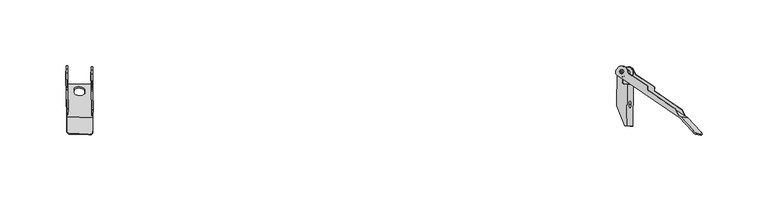
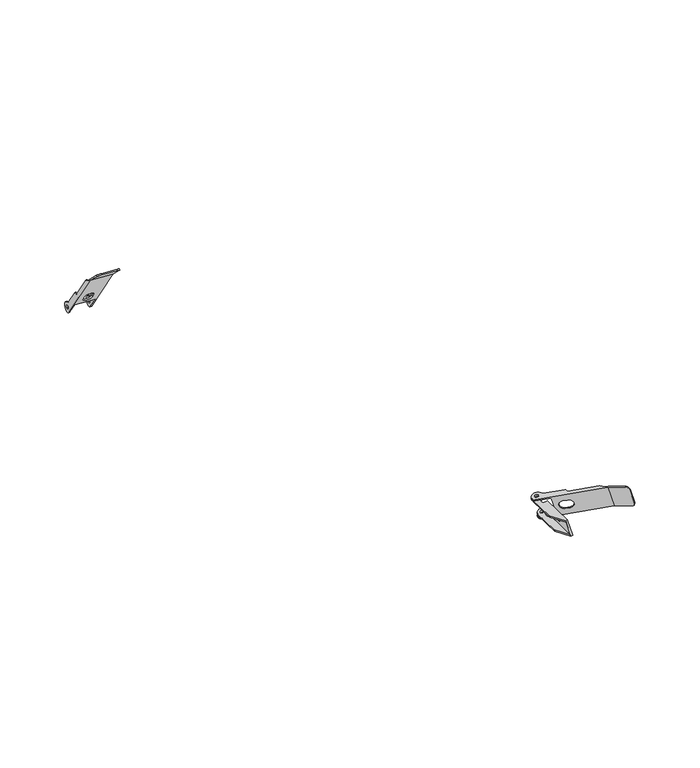
"""IFC4 building model written with IfcOpenShell, lengths in millimetres: proxy geometry."""

from ifc_helpers import new_model, si_unit, frame, origin, place, context, project, spatial, polyline, circle_curve, source, transform, mapped, element, save
from ifc_brep_helpers import plane_surface, cylinder_surface, revolved_surface, advanced_brep


def generic_models_2b121aef(model_context):
    return source(origin(), model_context, "Body", "AdvancedBrep", [
        advanced_brep(
        [(464.8241375, 27.9509873, 495.879707), (464.5925539, 41.8108396, 474.5191609), (464.6101731, 42.7324406, 474.0664298), (464.669011, 44.2528311, 474.1920108), (464.6866302, 45.1744321, 473.7392798), (464.5283787, 54.6454926, 459.1426579), (464.5916359, 57.8685775, 457.6073467), (464.3567489, 58.3591841, 450.2079173), (464.2959843, 57.3115193, 449.5287958), (464.1774329, 53.1642562, 450.4154491), (464.7140083, 21.051194, 499.9075022), (464.6810119, 10.6111072, 509.9183965), (464.7321109, 11.3260329, 510.6641413), (464.7650392, 21.7445421, 500.6739376), (464.7417046, 23.141073, 498.5216301), (464.8222734, 27.5720896, 496.2234941), (464.4090423, 55.2295213, 455.0312954), (464.3817588, 56.8623888, 452.5147503), (465.3805351, 56.8265521, 452.4806691), (465.4078186, 55.1936845, 454.9972142), (484.3845693, 54.5127854, 454.3496716), (483.3857929, 54.5486222, 454.3837528), (483.3585094, 56.1814898, 451.8672077), (484.3572858, 56.145653, 451.8331265), (465.8210497, 27.5362528, 496.1894129), (465.7404809, 23.1052362, 498.4875489), (465.3430494, 46.8907918, 461.8296938), (465.2944377, 46.0526599, 461.2863966), (465.1762092, 53.1284194, 450.3813679), (465.2947607, 57.2756825, 449.4947146), (465.3555253, 58.3233473, 450.1738361), (465.5904123, 57.8327407, 457.5732655), (465.5271551, 54.6096558, 459.1085767), (465.6854065, 45.1385953, 473.7051986), (465.6677873, 44.2169943, 474.1579296), (465.6089495, 42.6966038, 474.0323486), (465.5913303, 41.7750028, 474.4850797), (465.8229138, 27.9151505, 495.8456258), (484.7996645, 27.2342514, 495.1980832), (484.5680809, 41.0941037, 473.8375371), (483.5693046, 41.1299405, 473.8716183), (483.8008881, 27.2700882, 495.2321644), (483.799024, 26.8911905, 495.5759515), (484.7978004, 26.8553537, 495.5418703), (483.5869238, 42.0515415, 473.4188872), (483.6457616, 43.571932, 473.5444682), (483.6633808, 44.493533, 473.0917371), (483.5051294, 53.9645935, 458.4951153), (483.5683866, 57.1876784, 456.9598041), (483.3334996, 57.678285, 449.5603747), (483.272735, 56.6306202, 448.8812532), (483.1541835, 52.4833571, 449.7679065), (483.272412, 45.4075976, 460.6729351), (483.3210236, 46.2457295, 461.2162324), (483.7184552, 22.4601739, 497.8740875), (484.7172316, 22.4243371, 497.8400063), (484.7405661, 21.0278062, 499.9923138), (484.7076379, 10.609297, 509.9825174), (484.6565389, 9.8943713, 509.2367727), (484.6895353, 20.3344581, 499.2258784), (484.1529598, 52.4475203, 449.7338253), (484.2715113, 56.5947834, 448.847172), (484.3322759, 57.6424482, 449.5262935), (484.5671629, 57.1518416, 456.9257229), (484.5039057, 53.9287567, 458.4610341), (484.6621572, 44.4576962, 473.057656), (484.644538, 43.5360952, 473.510387), (484.5857001, 42.0157047, 473.384806), (470.3610754, 41.5191624, 467.8267775), (470.3974534, 39.3420057, 471.1821709), (478.3876642, 39.0553113, 470.9095214), (478.3512862, 41.2324681, 467.554128), (478.3998979, 42.0705999, 468.0974252), (478.4362759, 39.8934432, 471.4528186), (470.4460651, 40.1801375, 471.7254682), (470.4096871, 42.3572943, 468.3700747), (467.7215963, 9.0531657, 512.6382365), (481.7044651, 8.5514506, 512.1610999), (481.6533661, 7.8365249, 511.4153551), (467.6704972, 8.33824, 511.8924918)],
        [
            (0, 1),
            (1, 2, circle_curve(frame((464.6411656, 42.6489714, 475.0624581), z_axis=(0.9987763496739297, -0.03583679412656449, -0.034081190101736776), x_axis=(-0.0486116592563034, -0.8381318527622795, -0.5432972519437381)), 1.0)),
            (2, 3),
            (3, 4, circle_curve(frame((464.6380185, 44.3363003, 473.1959825), z_axis=(-0.9987763496739296, 0.035836794126564354, 0.03408119010173702), x_axis=(0.030992486270304563, -0.08346916705760438, 0.9960282947514567)), 1.0)),
            (4, 5),
            (5, 6),
            (6, 7, circle_curve(frame((464.3954005, 56.0459551, 453.7730229), z_axis=(-0.9987763496739296, 0.03583679412656428, 0.034081190101736915), x_axis=(0.00909449923687619, -0.5442891892845217, 0.8388483584722739)), 4.25)),
            (7, 8),
            (8, 9, circle_curve(frame((464.3232678, 55.6786517, 452.0453408), z_axis=(-0.9987763496739297, 0.03583679412656428, 0.034081190101736915), x_axis=(-0.00909449923687619, 0.5442891892845216, -0.8388483584722739)), 3.0)),
            (9, 10),
            (10, 11),
            (11, 12),
            (12, 13),
            (13, 14),
            (14, 15),
            (15, 0, circle_curve(frame((464.7755258, 27.1128554, 495.3364097), z_axis=(-0.9987763496739296, 0.0358367941265645, 0.03408119010173691), x_axis=(0.04674757290036013, 0.45923414199125345, 0.8870843631005355)), 1.0)),
            (16, 17, circle_curve(frame((464.3954005, 56.0459551, 453.7730229), z_axis=(0.9987763496739297, -0.03583679412656428, -0.034081190101736915), x_axis=(0.00909449923687619, -0.5442891892845216, 0.8388483584722739)), 1.5)),
            (17, 16, circle_curve(frame((464.3954005, 56.0459551, 453.7730229), z_axis=(0.9987763496739297, -0.03583679412656428, -0.034081190101736915), x_axis=(0.00909449923687619, -0.5442891892845216, 0.8388483584722739)), 1.5)),
            (17, 18),
            (18, 19, circle_curve(frame((465.3941769, 56.0101183, 453.7389417), z_axis=(0.9987763496739297, -0.03583679412656428, -0.034081190101736915), x_axis=(0.00909449923687619, -0.5442891892845216, 0.8388483584722739)), 1.5)),
            (19, 16),
            (20, 21),
            (21, 22, circle_curve(frame((483.3721512, 55.365056, 453.1254802), z_axis=(-0.9987763496739297, 0.03583679412656428, 0.034081190101736915), x_axis=(0.00909449923687619, -0.5442891892845216, 0.8388483584722739)), 1.5)),
            (22, 23),
            (23, 20, circle_curve(frame((484.3709275, 55.3292192, 453.0913991), z_axis=(0.9987763496739297, -0.03583679412656428, -0.034081190101736915), x_axis=(0.00909449923687619, -0.5442891892845216, 0.8388483584722739)), 1.5)),
            (19, 18, circle_curve(frame((465.3941769, 56.0101183, 453.7389417), z_axis=(0.9987763496739297, -0.03583679412656428, -0.034081190101736915), x_axis=(0.00909449923687619, -0.5442891892845216, 0.8388483584722739)), 1.5)),
            (22, 21, circle_curve(frame((483.3721512, 55.365056, 453.1254802), z_axis=(-0.9987763496739297, 0.03583679412656428, 0.034081190101736915), x_axis=(0.00909449923687619, -0.5442891892845216, 0.8388483584722739)), 1.5)),
            (20, 23, circle_curve(frame((484.3709275, 55.3292192, 453.0913991), z_axis=(0.9987763496739297, -0.03583679412656428, -0.034081190101736915), x_axis=(0.00909449923687619, -0.5442891892845216, 0.8388483584722739)), 1.5)),
            (24, 25),
            (25, 26),
            (26, 27),
            (27, 28),
            (28, 29, circle_curve(frame((465.3220442, 55.6428149, 452.0112597), z_axis=(0.9987763496739297, -0.03583679412656428, -0.034081190101736915), x_axis=(-0.00909449923687619, 0.5442891892845216, -0.8388483584722739)), 3.0)),
            (29, 30),
            (30, 31, circle_curve(frame((465.3941769, 56.0101183, 453.7389417), z_axis=(0.9987763496739296, -0.03583679412656428, -0.034081190101736915), x_axis=(0.00909449923687619, -0.5442891892845217, 0.8388483584722739)), 4.25)),
            (31, 32),
            (32, 33),
            (33, 34, circle_curve(frame((465.6367949, 44.3004635, 473.1619013), z_axis=(0.9987763496739296, -0.035836794126564354, -0.03408119010173702), x_axis=(0.030992486270304563, -0.08346916705760438, 0.9960282947514567)), 1.0)),
            (34, 35),
            (35, 36, circle_curve(frame((465.639942, 42.6131346, 475.0283769), z_axis=(-0.9987763496739297, 0.03583679412656449, 0.034081190101736776), x_axis=(-0.0486116592563034, -0.8381318527622795, -0.5432972519437381)), 1.0)),
            (36, 37),
            (37, 24, circle_curve(frame((465.7743022, 27.0770186, 495.3023286), z_axis=(0.9987763496739296, -0.0358367941265645, -0.03408119010173691), x_axis=(0.04674757290036013, 0.45923414199125345, 0.8870843631005355)), 1.0)),
            (15, 24),
            (37, 0),
            (38, 39),
            (39, 40),
            (40, 41),
            (41, 38),
            (36, 1),
            (42, 43),
            (43, 38, circle_curve(frame((484.7510528, 26.3961196, 494.6547859), z_axis=(-0.9987763496739296, 0.0358367941265645, 0.03408119010173691), x_axis=(0.04674757290036013, 0.45923414199125345, 0.8870843631005355)), 1.0)),
            (41, 42, circle_curve(frame((483.7522765, 26.4319563, 494.6888671), z_axis=(0.9987763496739296, -0.0358367941265645, -0.03408119010173691), x_axis=(0.04674757290036013, 0.45923414199125345, 0.8870843631005355)), 1.0)),
            (40, 44, circle_curve(frame((483.6179163, 41.9680723, 474.4149155), z_axis=(0.9987763496739297, -0.03583679412656449, -0.034081190101736776), x_axis=(-0.0486116592563034, -0.8381318527622795, -0.5432972519437381)), 1.0)),
            (44, 45),
            (45, 46, circle_curve(frame((483.6147691, 43.6554012, 472.5484399), z_axis=(-0.9987763496739296, 0.035836794126564354, 0.03408119010173702), x_axis=(0.030992486270304563, -0.08346916705760438, 0.9960282947514567)), 1.0)),
            (46, 47),
            (47, 48),
            (48, 49, circle_curve(frame((483.3721512, 55.365056, 453.1254802), z_axis=(-0.9987763496739296, 0.03583679412656428, 0.034081190101736915), x_axis=(0.00909449923687619, -0.5442891892845217, 0.8388483584722739)), 4.25)),
            (49, 50),
            (50, 51, circle_curve(frame((483.3000185, 54.9977526, 451.3977982), z_axis=(-0.9987763496739297, 0.03583679412656428, 0.034081190101736915), x_axis=(-0.00909449923687619, 0.5442891892845216, -0.8388483584722739)), 3.0)),
            (51, 52),
            (52, 53),
            (53, 54),
            (54, 42),
            (54, 55),
            (55, 43),
            (14, 25),
            (55, 56),
            (56, 57),
            (57, 58),
            (58, 59),
            (59, 60),
            (60, 61, circle_curve(frame((484.2987948, 54.9619159, 451.363717), z_axis=(0.9987763496739297, -0.03583679412656428, -0.034081190101736915), x_axis=(-0.00909449923687619, 0.5442891892845216, -0.8388483584722739)), 3.0)),
            (61, 62),
            (62, 63, circle_curve(frame((484.3709275, 55.3292192, 453.0913991), z_axis=(0.9987763496739296, -0.03583679412656428, -0.034081190101736915), x_axis=(0.00909449923687619, -0.5442891892845217, 0.8388483584722739)), 4.25)),
            (63, 64),
            (64, 65),
            (65, 66, circle_curve(frame((484.6135455, 43.6195644, 472.5143587), z_axis=(0.9987763496739296, -0.035836794126564354, -0.03408119010173702), x_axis=(0.030992486270304563, -0.08346916705760438, 0.9960282947514567)), 1.0)),
            (66, 67),
            (67, 39, circle_curve(frame((484.6166926, 41.9322355, 474.3808343), z_axis=(-0.9987763496739297, 0.03583679412656449, 0.034081190101736776), x_axis=(-0.0486116592563034, -0.8381318527622795, -0.5432972519437381)), 1.0)),
            (67, 44),
            (66, 45),
            (2, 35),
            (34, 3),
            (65, 46),
            (64, 47),
            (32, 5),
            (4, 33),
            (31, 6),
            (63, 48),
            (30, 7),
            (62, 49),
            (61, 50),
            (29, 8),
            (60, 51),
            (59, 10),
            (9, 28),
            (27, 52),
            (68, 69),
            (69, 70, circle_curve(frame((474.3925588, 39.1986585, 471.0458461), z_axis=(0.04861165925630344, 0.8381318527622776, 0.543297251943741), x_axis=(0.009094499236876191, -0.5442891892845217, 0.8388483584722739)), 4.0)),
            (70, 71),
            (71, 68, circle_curve(frame((474.3561808, 41.3758153, 467.6904527), z_axis=(0.04861165925630343, 0.8381318527622774, 0.5432972519437412), x_axis=(-0.009094499236882062, 0.5442891892845222, -0.8388483584722735)), 4.0)),
            (26, 53),
            (13, 56),
            (72, 73),
            (73, 74, circle_curve(frame((474.4411705, 40.0367904, 471.5891434), z_axis=(-0.04861165925630344, -0.8381318527622776, -0.543297251943741), x_axis=(0.009094499236876191, -0.5442891892845217, 0.8388483584722739)), 4.0)),
            (74, 75),
            (75, 72, circle_curve(frame((474.4047925, 42.2139471, 468.23375), z_axis=(-0.04861165925630343, -0.8381318527622774, -0.5432972519437412), x_axis=(-0.009094499236882062, 0.5442891892845222, -0.8388483584722735)), 4.0)),
            (12, 76, circle_curve(frame((467.72844, 11.2185225, 510.5618977), z_axis=(0.04940242174704902, 0.6911883015382874, 0.7209841416717461), x_axis=(-0.9987763496739296, 0.03583679412656441, 0.034081190101736714)), 3.0)),
            (76, 77),
            (77, 57, circle_curve(frame((481.7113089, 10.7168074, 510.084761), z_axis=(0.04940242174704902, 0.6911883015382874, 0.7209841416717461), x_axis=(0.9987763496739296, -0.03583679412656441, -0.034081190101736714)), 3.0)),
            (77, 78),
            (78, 58, circle_curve(frame((481.6602098, 10.0018817, 509.3390162), z_axis=(0.04940242174704902, 0.6911883015382874, 0.7209841416717461), x_axis=(0.9987763496739296, -0.03583679412656441, -0.034081190101736714)), 3.0)),
            (78, 79),
            (79, 11, circle_curve(frame((467.6773409, 10.5035968, 509.8161529), z_axis=(-0.04940242174704902, -0.6911883015382874, -0.7209841416717461), x_axis=(-0.9987763496739296, 0.03583679412656441, 0.034081190101736714)), 3.0)),
            (79, 76),
            (75, 68),
            (71, 72),
            (70, 73),
            (69, 74),
        ],
        [
            plane_surface(frame((464.5730436, 29.4876764, 486.9053527), z_axis=(-0.9987763496739296, 0.03583679412656428, 0.034081190101736915), x_axis=(0.009094499236876191, -0.5442891892845217, 0.8388483584722739))),
            revolved_surface(polyline([(464.4090422488553, 55.22952131607322, 455.0312954377084), (465.40781864927936, 55.1936845201257, 454.99721424587494)]), (464.3954005, 56.0459551, 453.7730229), (-0.9987763496739295, 0.03583679412656427, 0.03408119010173691)),
            revolved_surface(polyline([(483.3857928992522, 54.54862222743196, 454.38375282555046), (484.38456930227386, 54.512785431391244, 454.34967163362836)]), (464.3954005, 56.0459551, 453.7730229), (-0.9987763496739295, 0.03583679412656427, 0.03408119010173691)),
            plane_surface(frame((465.5292445, 69.3810504, 443.6375038), z_axis=(0.9987763496739295, -0.03583679412656449, -0.03408119010173678), x_axis=(-0.04861165925630343, -0.8381318527622776, -0.543297251943741))),
            cylinder_surface(frame((510.7911498, 25.4617827, 493.7662212), z_axis=(-0.9987763496739296, 0.0358367941265645, 0.03408119010173691), x_axis=(0.04674757290036013, 0.45923414199125345, 0.8870843631005355)), 1.0),
            plane_surface(frame((464.587112, 42.1365324, 474.0172091), z_axis=(0.04861165925630345, 0.8381318527622778, 0.543297251943741), x_axis=(0.009094499236876191, -0.5442891892845217, 0.8388483584722739))),
            plane_surface(frame((483.0709249, 61.2136822, 438.1479025), z_axis=(-0.9987763496739295, 0.03583679412656449, 0.03408119010173678), x_axis=(0.04861165925630343, 0.8381318527622776, 0.543297251943741))),
            plane_surface(frame((464.826544, 27.80696, 496.1016791), z_axis=(0.04674757290036013, 0.45923414199125284, 0.8870843631005361), x_axis=(-0.01613901359891643, -0.8875920949491879, 0.46034748312960927))),
            plane_surface(frame((484.5485706, 28.7709406, 486.2237289), z_axis=(0.9987763496739296, -0.03583679412656428, -0.034081190101736915), x_axis=(0.009094499236876191, -0.5442891892845217, 0.8388483584722739))),
            revolved_surface(polyline([(484.5680809417797, 41.094103667561974, 473.83753705704555), (483.56930459681035, 41.12994046151974, 473.87161824698677)]), (438.6010686, 43.5833083, 475.9510229), (0.9987763496739297, -0.03583679412656449, -0.034081190101736776)),
            plane_surface(frame((464.6920721, 44.8487393, 474.2412315), z_axis=(0.030992486270304563, -0.08346916705760361, 0.9960282947514569), x_axis=(-0.03853918949336476, -0.9958657652201125, -0.08225635863417746))),
            cylinder_surface(frame((510.6536425, 42.6852275, 471.6257939), z_axis=(-0.9987763496739296, 0.035836794126564354, 0.03408119010173702), x_axis=(0.030992486270304563, -0.08346916705760438, 0.9960282947514567)), 1.0),
            plane_surface(frame((464.5283787, 54.6454926, 459.1426579), z_axis=(0.04861165925630345, 0.8381318527622778, 0.543297251943741), x_axis=(0.009094499236876191, -0.5442891892845217, 0.8388483584722739))),
            plane_surface(frame((464.5916359, 57.8685775, 457.6073467), z_axis=(0.04617303239239315, 0.42885234107541875, 0.9021938376168527), x_axis=(-0.017715936659163902, -0.9026634997278128, 0.4299822692244711))),
            cylinder_surface(frame((464.3954005, 56.0459551, 453.7730229), z_axis=(0.9987763496739296, -0.03583679412656428, -0.034081190101736915), x_axis=(0.00909449923687619, -0.5442891892845217, 0.8388483584722739)), 4.25),
            plane_surface(frame((464.1501494, 54.7971237, 447.898904), z_axis=(-0.009094499236876195, 0.5442891892845219, -0.8388483584722739), x_axis=(0.04861165925630343, 0.8381318527622776, 0.543297251943741))),
            cylinder_surface(frame((510.3388918, 54.027579, 450.4751523), z_axis=(-0.9987763496739295, 0.03583679412656427, 0.03408119010173691), x_axis=(-0.00909449923687619, 0.5442891892845216, -0.8388483584722739)), 3.0),
            plane_surface(frame((464.7140083, 21.051194, 499.9075022), z_axis=(-0.04861165925630345, -0.8381318527622778, -0.543297251943741), x_axis=(-0.009094499236876191, 0.5442891892845217, -0.8388483584722739))),
            plane_surface(frame((483.272412, 45.4075976, 460.6729351), z_axis=(-0.009094499236875955, 0.5442891892845219, -0.838848358472274), x_axis=(-0.9987763496739296, 0.0358367941265644, 0.03408119010173672))),
            plane_surface(frame((464.326084, 48.0152069, 460.1860783), z_axis=(0.04861165925630345, 0.8381318527622778, 0.543297251943741), x_axis=(0.009094499236876191, -0.5442891892845217, 0.8388483584722739))),
            plane_surface(frame((464.7650392, 21.7445421, 500.6739376), z_axis=(0.04940242174704918, 0.691188301538285, 0.7209841416717482), x_axis=(-0.00228124035278517, -0.7217856025187472, 0.6921129531652342))),
            cylinder_surface(frame((482.2098938, 17.692499, 517.3611617), z_axis=(-0.04940242174704902, -0.6911883015382874, -0.7209841416717461), x_axis=(0.9987763496739296, -0.03583679412656441, -0.034081190101736714)), 3.0),
            plane_surface(frame((464.6741682, 8.4457504, 511.9947353), z_axis=(-0.049402421747049174, -0.6911883015382848, -0.7209841416717484), x_axis=(0.002281240352785183, 0.7217856025187475, -0.692112953165234))),
            cylinder_surface(frame((467.3116701, 5.3875033, 504.4795141), z_axis=(0.04940242174704902, 0.6911883015382874, 0.7209841416717461), x_axis=(-0.9987763496739296, 0.03583679412656441, 0.034081190101736714)), 3.0),
            plane_surface(frame((464.7252672, 9.1606761, 512.7404801), z_axis=(-0.0022812403527850272, -0.7217856025187452, 0.6921129531652365), x_axis=(-0.04940242174704919, -0.6911883015382871, -0.7209841416717462))),
            revolved_surface(polyline([(474.319802800978, 43.55297202137086, 464.3350592429257), (474.3684144615246, 44.39110389637938, 464.87835650929)]), (474.3561808, 41.3758153, 467.6904527), (-0.04861165925630343, -0.8381318527622774, -0.5432972519437412)),
            plane_surface(frame((478.3512862, 41.2324681, 467.554128), z_axis=(-0.9987763496739296, 0.03583679412656428, 0.034081190101736915), x_axis=(0.009094499236876191, -0.5442891892845217, 0.8388483584722739))),
            revolved_surface(polyline([(474.42893679694754, 37.021501742861915, 474.4012395338891), (474.4775484594939, 37.85963365234971, 474.9445368226037)]), (474.3925588, 39.1986585, 471.0458461), (-0.04861165925630344, -0.8381318527622776, -0.543297251943741)),
            plane_surface(frame((470.3974534, 39.3420057, 471.1821709), z_axis=(0.9987763496739296, -0.03583679412656428, -0.034081190101736915), x_axis=(-0.009094499236876191, 0.5442891892845217, -0.8388483584722739))),
            revolved_surface(polyline([(465.5913303416637, 41.77500275439912, 474.48507966748775), (464.5925538969389, 41.810839551936176, 474.5191608608329)]), (438.6010686, 43.5833083, 475.9510229), (0.9987763496739297, -0.03583679412656449, -0.034081190101736776)),
        ],
        [
            (0, [[1, 2, 3, 4, 5, 6, 7, 8, 9, 10, 11, 12, 13, 14, 15, 16], [17, 18]]),
            (1, [[19, 20, 21, -18]]),
            (2, [[22, 23, 24, 25]]),
            (1, [[-21, 26, -19, -17]]),
            (2, [[-24, 27, -22, 28]]),
            (3, [[29, 30, 31, 32, 33, 34, 35, 36, 37, 38, 39, 40, 41, 42], [-26, -20]]),
            (4, [[43, -42, 44, -16]]),
            (5, [[45, 46, 47, 48]]),
            (5, [[-41, 49, -1, -44]]),
            (4, [[50, 51, -48, 52]]),
            (6, [[-47, 53, 54, 55, 56, 57, 58, 59, 60, 61, 62, 63, 64, -52], [-27, -23]]),
            (7, [[-64, 65, 66, -50]]),
            (7, [[-15, 67, -29, -43]]),
            (8, [[-66, 68, 69, 70, 71, 72, 73, 74, 75, 76, 77, 78, 79, 80, -45, -51], [-28, -25]]),
            (9, [[-80, 81, -53, -46]]),
            (10, [[-54, -81, -79, 82]]),
            (10, [[-3, 83, -39, 84]]),
            (11, [[-82, -78, 85, -55]]),
            (12, [[-77, 86, -56, -85]]),
            (12, [[-37, 87, -5, 88]]),
            (13, [[89, -6, -87, -36]]),
            (13, [[-86, -76, 90, -57]]),
            (14, [[91, -7, -89, -35]]),
            (14, [[-90, -75, 92, -58]]),
            (15, [[-59, -92, -74, 93]]),
            (15, [[-8, -91, -34, 94]]),
            (16, [[-93, -73, 95, -60]]),
            (17, [[-72, 96, -10, 97, -32, 98, -61, -95], [99, 100, 101, 102]]),
            (18, [[-62, -98, -31, 103]]),
            (19, [[-30, -67, -14, 104, -68, -65, -63, -103], [105, 106, 107, 108]]),
            (20, [[-69, -104, -13, 109, 110, 111]]),
            (21, [[-70, -111, 112, 113]]),
            (22, [[114, 115, -11, -96, -71, -113]]),
            (23, [[-12, -115, 116, -109]]),
            (24, [[-110, -116, -114, -112]]),
            (25, [[117, -102, 118, -108]]),
            (26, [[-118, -101, 119, -105]]),
            (27, [[-119, -100, 120, -106]]),
            (28, [[-120, -99, -117, -107]]),
            (16, [[-94, -33, -97, -9]]),
            (11, [[-84, -38, -88, -4]]),
            (29, [[-40, -83, -2, -49]]),
        ],
    ),
        advanced_brep(
        [(888.4928597, 15.0870928, 126.9523971), (889.9344223, 15.0870928, 127.367002), (890.2456743, 46.4893429, 126.2847927), (888.3235908, 46.4893429, 125.7319862), (886.4213182, 48.4880583, 125.1102983), (886.4559871, 51.9858101, 124.9897561), (882.6514418, 55.9832407, 123.7463803), (882.3942072, 30.030818, 124.6407733), (885.0540461, 55.9832407, 124.4373885), (887.9371713, 55.9832407, 125.2665983), (888.3515099, 55.9294855, 123.8259617), (885.4683847, 55.9294855, 122.9967519), (889.6117706, 55.3919336, 108.5903855), (889.197432, 55.4456888, 110.0310222), (892.0805573, 55.4456888, 110.860232), (892.4948959, 55.3919336, 109.4195954), (882.8085458, 29.9770628, 123.2001366), (883.0657804, 55.9294855, 122.3057437), (886.8703257, 51.9320549, 123.5491194), (886.8356568, 48.4343031, 123.6696617), (888.7379294, 46.4355878, 124.2913496), (889.2184503, 46.4355878, 124.4295512), (888.9071983, 15.0333376, 125.5117604), (893.0505842, 14.4957857, 111.1053941), (892.6362456, 14.5495409, 112.5460307), (886.5375931, 29.4932661, 110.2344069), (886.9519317, 29.4395109, 108.7937703), (894.4921468, 14.4957857, 111.519999), (892.9474976, 45.951791, 111.4638215), (890.2438285, 31.2929165, 120.8643572), (891.6249572, 31.1137326, 116.0622351), (892.4669768, 45.951791, 111.3256199), (890.5647041, 47.9505063, 110.703932), (890.599373, 51.4482581, 110.5833897), (886.7948277, 55.4456888, 109.340014), (887.2091663, 55.3919336, 107.8993774), (891.0137116, 51.394503, 109.1427531), (890.9790427, 47.8967512, 109.2632954), (892.8813154, 45.8980358, 109.8849832), (894.8033988, 45.8980358, 110.4377898), (893.0665198, 31.1137326, 116.47684), (891.6853912, 31.2929165, 121.2789621)],
        [
            (0, 1),
            (1, 2),
            (2, 3),
            (3, 4, circle_curve(frame((888.3434017, 48.4880583, 125.6631049), z_axis=(0.27622572769966836, -0.03583679412656441, -0.9604244226088376), x_axis=(-0.961041742207202, 0.0, -0.2764032737420922)), 2.0)),
            (4, 5),
            (5, 6, circle_curve(frame((886.4956087, 55.9832407, 124.8519934), z_axis=(-0.27622572769966836, 0.03583679412656441, 0.9604244226088376), x_axis=(0.961041742207202, 0.0, 0.2764032737420922)), 4.0)),
            (6, 7),
            (7, 0),
            (8, 9, circle_curve(frame((886.4956087, 55.9832407, 124.8519934), z_axis=(0.27622572769966836, -0.03583679412656441, -0.9604244226088376), x_axis=(0.9610417422072018, 0.0, 0.2764032737420922)), 1.5)),
            (9, 8, circle_curve(frame((886.4956087, 55.9832407, 124.8519934), z_axis=(0.27622572769966836, -0.03583679412656441, -0.9604244226088376), x_axis=(0.9610417422072018, 0.0, 0.2764032737420922)), 1.5)),
            (9, 10),
            (10, 11, circle_curve(frame((886.9099473, 55.9294855, 123.4113568), z_axis=(0.27622572769966836, -0.03583679412656441, -0.9604244226088376), x_axis=(0.9610417422072018, 0.0, 0.2764032737420922)), 1.5)),
            (11, 8),
            (12, 13),
            (13, 14, circle_curve(frame((890.6389946, 55.4456888, 110.4456271), z_axis=(-0.27622572769966836, 0.03583679412656441, 0.9604244226088376), x_axis=(0.9610417422072018, 0.0, 0.2764032737420922)), 1.5)),
            (14, 15),
            (15, 12, circle_curve(frame((891.0533332, 55.3919336, 109.0049905), z_axis=(0.27622572769966836, -0.03583679412656441, -0.9604244226088376), x_axis=(0.9610417422072018, 0.0, 0.2764032737420922)), 1.5)),
            (11, 10, circle_curve(frame((886.9099473, 55.9294855, 123.4113568), z_axis=(0.27622572769966836, -0.03583679412656441, -0.9604244226088376), x_axis=(0.9610417422072018, 0.0, 0.2764032737420922)), 1.5)),
            (14, 13, circle_curve(frame((890.6389946, 55.4456888, 110.4456271), z_axis=(-0.27622572769966836, 0.03583679412656441, 0.9604244226088376), x_axis=(0.9610417422072018, 0.0, 0.2764032737420922)), 1.5)),
            (12, 15, circle_curve(frame((891.0533332, 55.3919336, 109.0049905), z_axis=(0.27622572769966836, -0.03583679412656441, -0.9604244226088376), x_axis=(0.9610417422072018, 0.0, 0.2764032737420922)), 1.5)),
            (16, 17),
            (17, 18, circle_curve(frame((886.9099473, 55.9294855, 123.4113568), z_axis=(0.27622572769966836, -0.03583679412656441, -0.9604244226088376), x_axis=(0.961041742207202, 0.0, 0.2764032737420922)), 4.0)),
            (18, 19),
            (19, 20, circle_curve(frame((888.7577403, 48.4343031, 124.2224683), z_axis=(-0.27622572769966836, 0.03583679412656441, 0.9604244226088376), x_axis=(-0.961041742207202, 0.0, -0.2764032737420922)), 2.0)),
            (20, 21),
            (21, 22),
            (22, 16),
            (7, 16),
            (22, 0),
            (23, 24),
            (24, 25),
            (25, 26),
            (26, 23),
            (23, 27),
            (27, 1),
            (22, 24),
            (21, 28),
            (28, 24),
            (29, 30, circle_curve(frame((890.9343929, 31.2033246, 118.4632962), z_axis=(0.961041742207202, 0.0, 0.2764032737420926), x_axis=(0.2762257276996687, -0.03583679412656441, -0.9604244226088375)), 2.5)),
            (30, 29, circle_curve(frame((890.9343929, 31.2033246, 118.4632962), z_axis=(0.961041742207202, 0.0, 0.2764032737420926), x_axis=(0.2762257276996687, -0.03583679412656441, -0.9604244226088375)), 2.5)),
            (28, 31),
            (31, 32, circle_curve(frame((892.4867876, 47.9505063, 111.2567386), z_axis=(0.27622572769966836, -0.03583679412656441, -0.9604244226088376), x_axis=(-0.961041742207202, 0.0, -0.2764032737420922)), 2.0)),
            (32, 33),
            (33, 34, circle_curve(frame((890.6389946, 55.4456888, 110.4456271), z_axis=(-0.27622572769966836, 0.03583679412656441, 0.9604244226088376), x_axis=(0.961041742207202, 0.0, 0.2764032737420922)), 4.0)),
            (34, 25),
            (34, 35),
            (35, 26),
            (35, 36, circle_curve(frame((891.0533332, 55.3919336, 109.0049905), z_axis=(0.27622572769966836, -0.03583679412656441, -0.9604244226088376), x_axis=(0.961041742207202, 0.0, 0.2764032737420922)), 4.0)),
            (36, 37),
            (37, 38, circle_curve(frame((892.9011262, 47.8967512, 109.8161019), z_axis=(-0.27622572769966836, 0.03583679412656441, 0.9604244226088376), x_axis=(-0.961041742207202, 0.0, -0.2764032737420922)), 2.0)),
            (38, 39),
            (39, 27),
            (39, 2),
            (40, 41, circle_curve(frame((892.3759555, 31.2033246, 118.8779011), z_axis=(-0.961041742207202, 0.0, -0.2764032737420926), x_axis=(0.2762257276996687, -0.03583679412656441, -0.9604244226088375)), 2.5)),
            (41, 40, circle_curve(frame((892.3759555, 31.2033246, 118.8779011), z_axis=(-0.961041742207202, 0.0, -0.2764032737420926), x_axis=(0.2762257276996687, -0.03583679412656441, -0.9604244226088375)), 2.5)),
            (38, 31),
            (20, 3),
            (19, 4),
            (18, 5),
            (36, 33),
            (32, 37),
            (17, 6),
            (30, 40),
            (41, 29),
        ],
        [
            plane_surface(frame((892.5492246, 36.4957664, 127.3202075), z_axis=(-0.2762257276996683, 0.03583679412656441, 0.9604244226088375), x_axis=(0.961041742207202, 0.0, 0.2764032737420922))),
            revolved_surface(polyline([(888.3515099112974, 55.92948551014939, 123.82596170287052), (887.9371713244129, 55.98324070073401, 125.26659832056365)]), (891.0533332, 55.3919336, 109.0049905), (0.27622572769966824, -0.035836794126564396, -0.9604244226088372)),
            revolved_surface(polyline([(892.4948958380402, 55.391933596791674, 109.41959532463007), (892.0805572282263, 55.44568879035109, 110.86023202204781)]), (891.0533332, 55.3919336, 109.0049905), (0.27622572769966824, -0.035836794126564396, -0.9604244226088372)),
            plane_surface(frame((892.9635632, 36.4420112, 125.8795709), z_axis=(0.2762257276996683, -0.03583679412656441, -0.9604244226088375), x_axis=(0.961041742207202, 0.0, 0.2764032737420922))),
            plane_surface(frame((886.9519317, 29.4395109, 108.7937703), z_axis=(-0.8853226142009569, -0.39839535087401956, -0.23976032446247422), x_axis=(0.37403638344574547, -0.9165134306646561, 0.1417741699680522))),
            plane_surface(frame((905.8168422, 13.3382573, 81.1892983), z_axis=(-0.009905407217004265, -0.9993576557903233, 0.03444065506251414), x_axis=(-0.2762257276996687, 0.0358367941265644, 0.9604244226088375))),
            plane_surface(frame((888.7050576, 36.4957664, 126.2145944), z_axis=(-0.9610417422072021, 0.0, -0.2764032737420922), x_axis=(0.00990540721700426, 0.9993576557903233, -0.03444065506251412))),
            plane_surface(frame((896.6926105, 35.9582145, 112.9138411), z_axis=(-0.2762257276996683, 0.03583679412656441, 0.9604244226088375), x_axis=(0.961041742207202, 0.0, 0.2764032737420922))),
            plane_surface(frame((887.0903014, 43.3996417, 108.3126652), z_axis=(-0.9610417422072021, 0.0, -0.2764032737420922), x_axis=(0.00990540721700426, 0.9993576557903233, -0.03444065506251412))),
            plane_surface(frame((897.1069491, 35.9044593, 111.4732045), z_axis=(0.2762257276996683, -0.03583679412656441, -0.9604244226088375), x_axis=(0.961041742207202, 0.0, 0.2764032737420922))),
            plane_surface(frame((890.3793973, 59.9806713, 125.8198439), z_axis=(0.9610417422072021, 0.0, 0.2764032737420922), x_axis=(-0.00990540721700426, -0.9993576557903233, 0.03444065506251412))),
            plane_surface(frame((890.6600129, 46.4355878, 124.8441561), z_axis=(0.009905407217004265, 0.9993576557903233, -0.03444065506251414), x_axis=(0.2762257276996687, -0.0358367941265644, -0.9604244226088375))),
            revolved_surface(polyline([(886.4213181715097, 48.48805822589381, 125.11029835378957), (886.8356567705046, 48.434303033738026, 123.66966169398933)]), (910.5502928, 45.606995, 48.4507439), (-0.2762257276996683, 0.0358367941265644, 0.9604244226088374)),
            plane_surface(frame((890.9592319, 45.8980358, 109.3321767), z_axis=(0.9610417422072021, 0.0, 0.2764032737420922), x_axis=(0.00990540721700426, 0.9993576557903233, -0.03444065506251412))),
            cylinder_surface(frame((908.7024999, 53.1021774, 47.6396324), z_axis=(-0.2762257276996683, 0.0358367941265644, 0.9604244226088374), x_axis=(0.961041742207202, 0.0, 0.2764032737420922)), 4.0),
            plane_surface(frame((882.5325769, 43.9909488, 124.1596682), z_axis=(-0.9610417422072021, 0.0, -0.2764032737420922), x_axis=(0.00990540721700426, 0.9993576557903233, -0.03444065506251412))),
            revolved_surface(polyline([(890.5647040792803, 47.95050631499749, 110.70393204151452), (890.979042692767, 47.89675112096157, 109.26329533132662)]), (910.5502928, 45.606995, 48.4507439), (-0.2762257276996683, 0.0358367941265644, 0.9604244226088374)),
            revolved_surface(polyline([(893.0665198227708, 31.113732614683588, 116.47684004163942), (891.624957132213, 31.113732614683588, 116.0622351088094)]), (889.9733511, 31.2033246, 118.1868929), (0.9610417422072022, 0.0, 0.27640327374209267)),
        ],
        [
            (0, [[1, 2, 3, 4, 5, 6, 7, 8], [9, 10]]),
            (1, [[11, 12, 13, -10]]),
            (2, [[14, 15, 16, 17]]),
            (1, [[-13, 18, -11, -9]]),
            (2, [[-16, 19, -14, 20]]),
            (3, [[21, 22, 23, 24, 25, 26, 27], [-18, -12]]),
            (4, [[28, -27, 29, -8]]),
            (4, [[30, 31, 32, 33]]),
            (5, [[34, 35, -1, -29, 36, -30]]),
            (6, [[-26, 37, 38, -36], [39, 40]]),
            (7, [[-38, 41, 42, 43, 44, 45, -31], [-19, -15]]),
            (8, [[-45, 46, 47, -32]]),
            (9, [[-47, 48, 49, 50, 51, 52, -34, -33], [-20, -17]]),
            (10, [[53, -2, -35, -52], [54, 55]]),
            (11, [[-53, -51, 56, -41, -37, -25, 57, -3]]),
            (12, [[-4, -57, -24, 58]]),
            (13, [[-58, -23, 59, -5]]),
            (13, [[60, -43, 61, -49]]),
            (14, [[-59, -22, 62, -6]]),
            (14, [[-46, -44, -60, -48]]),
            (15, [[-7, -62, -21, -28]]),
            (16, [[-42, -56, -50, -61]]),
            (17, [[63, -55, 64, -40]]),
            (17, [[-64, -54, -63, -39]]),
        ],
    ),
        advanced_brep(
        [(926.190537, 27.9509873, 139.1366641), (905.8038872, 41.8108396, 132.7561413), (905.378759, 42.7324406, 132.5994829), (905.5163755, 44.2528311, 132.5823314), (905.0912473, 45.1744321, 132.425673), (891.1601326, 54.6454926, 128.0655749), (889.7195124, 57.8685775, 127.5309764), (882.6096529, 58.3591841, 125.4678179), (881.9449926, 57.3115193, 125.3157483), (882.7516156, 53.1642562, 125.7024884), (929.9871662, 21.051194, 140.4860603), (939.4978959, 10.6111072, 143.6109782), (940.2229318, 11.3260329, 143.792828), (930.7318589, 21.7445421, 140.6743687), (928.677682, 23.141073, 140.0314615), (926.516922, 27.5720896, 139.244673), (887.2131175, 55.2295213, 126.9085897), (884.8113099, 56.8623888, 126.1568826), (885.0875356, 56.8265521, 125.1964582), (887.4893433, 55.1936845, 125.9481653), (892.7376321, 54.5127854, 107.7001012), (892.4614064, 54.5486222, 108.6605257), (890.0595987, 56.1814898, 107.9088186), (890.3358244, 56.145653, 106.9483942), (926.7931477, 27.5362528, 138.2842486), (928.9539078, 23.1052362, 139.0710371), (893.9674027, 46.8907918, 128.1211168), (893.4356745, 46.0526599, 127.9994612), (883.0278413, 53.1284194, 124.742064), (882.2212183, 57.2756825, 124.3553239), (882.8858786, 58.3233473, 124.5073934), (889.9957382, 57.8327407, 126.570552), (891.4363583, 54.6096558, 127.1051505), (905.3674731, 45.1385953, 131.4652486), (905.7926013, 44.2169943, 131.621907), (905.6549848, 42.6966038, 131.6390585), (906.0801129, 41.7750028, 131.7957169), (926.4667628, 27.9151505, 138.1762397), (931.7150516, 27.2342514, 119.9281756), (911.3284018, 41.0941037, 113.5476529), (911.052176, 41.1299405, 114.5080773), (931.4388259, 27.2700882, 120.8886), (931.7652108, 26.8911905, 120.996609), (932.0414365, 26.8553537, 120.0361845), (910.6270479, 42.0515415, 114.3514189), (910.7646644, 43.571932, 114.3342674), (910.3395362, 44.493533, 114.177609), (896.4084214, 53.9645935, 109.8175108), (894.9678013, 57.1876784, 109.2829124), (887.8579417, 57.678285, 107.2197538), (887.1932814, 56.6306202, 107.0676843), (887.9999044, 52.4833571, 107.4544244), (898.4077376, 45.4075976, 110.7118216), (898.9394658, 46.2457295, 110.8334772), (933.9259709, 22.4601739, 121.7833975), (934.2021966, 22.4243371, 120.8229731), (936.2563735, 21.0278062, 121.4658802), (945.7474464, 10.609297, 124.5843395), (945.0224105, 9.8943713, 124.4024898), (935.5116807, 20.3344581, 121.2775719), (888.2761301, 52.4475203, 106.4939999), (887.4695071, 56.5947834, 106.1072598), (888.1341674, 57.6424482, 106.2593294), (895.244027, 57.1518416, 108.322488), (896.6846472, 53.9287567, 108.8570864), (910.6157619, 44.4576962, 113.2171846), (911.0408901, 43.5360952, 113.373843), (910.9032736, 42.0157047, 113.3909945), (901.2216235, 41.5191624, 125.2018912), (904.4240338, 39.3420057, 126.2041673), (906.6338396, 39.0553113, 118.5207719), (903.4314294, 41.2324681, 117.5184958), (903.9631576, 42.0705999, 117.6401515), (907.1655678, 39.8934432, 118.6424275), (904.955762, 40.1801375, 126.3258229), (901.7533518, 42.3572943, 125.3235468), (943.0242098, 9.0531657, 141.5596875), (946.89137, 8.5514506, 128.1137455), (946.166334, 7.8365249, 127.9318958), (942.2991739, 8.33824, 141.3778377)],
        [
            (0, 1),
            (1, 2, circle_curve(frame((906.3356154, 42.6489714, 132.877797), z_axis=(0.2762257276996686, -0.03583679412656454, -0.9604244226088374), x_axis=(-0.5317282205813038, -0.8381318527622796, -0.12165564854419549)), 1.0)),
            (2, 3),
            (3, 4, circle_curve(frame((904.5595191, 44.3363003, 132.3040174), z_axis=(-0.27622572769966836, 0.03583679412656436, 0.9604244226088376), x_axis=(0.956856405093179, -0.08346916705760439, 0.2783140639329381)), 1.0)),
            (4, 5),
            (5, 6),
            (6, 7, circle_curve(frame((886.0122137, 56.0459551, 126.5327362), z_axis=(-0.27622572769966836, 0.03583679412656421, 0.9604244226088375), x_axis=(0.8006025523280738, -0.5442891892845217, 0.25056901570978807)), 4.25)),
            (7, 8),
            (8, 9, circle_curve(frame((884.3468002, 55.6786517, 126.0674553), z_axis=(-0.27622572769966836, 0.03583679412656421, 0.9604244226088375), x_axis=(-0.8006025523280738, 0.5442891892845217, -0.25056901570978807)), 3.0)),
            (9, 10),
            (10, 11),
            (11, 12),
            (12, 13),
            (13, 14),
            (14, 15),
            (15, 0, circle_curve(frame((925.6588088, 27.1128554, 139.0150084), z_axis=(-0.27622572769966836, 0.03583679412656457, 0.9604244226088376), x_axis=(0.8581131585022935, 0.4592341419912535, 0.2296645598144717)), 1.0)),
            (16, 17, circle_curve(frame((886.0122137, 56.0459551, 126.5327362), z_axis=(0.27622572769966836, -0.03583679412656421, -0.9604244226088375), x_axis=(0.8006025523280738, -0.5442891892845217, 0.25056901570978807)), 1.5)),
            (17, 16, circle_curve(frame((886.0122137, 56.0459551, 126.5327362), z_axis=(0.27622572769966836, -0.03583679412656421, -0.9604244226088375), x_axis=(0.8006025523280738, -0.5442891892845217, 0.25056901570978807)), 1.5)),
            (17, 18),
            (18, 19, circle_curve(frame((886.2884394, 56.0101183, 125.5723117), z_axis=(0.27622572769966836, -0.03583679412656421, -0.9604244226088375), x_axis=(0.8006025523280738, -0.5442891892845217, 0.25056901570978807)), 1.5)),
            (19, 16),
            (20, 21),
            (21, 22, circle_curve(frame((891.2605025, 55.365056, 108.2846721), z_axis=(-0.27622572769966836, 0.03583679412656421, 0.9604244226088375), x_axis=(0.8006025523280738, -0.5442891892845217, 0.25056901570978807)), 1.5)),
            (22, 23),
            (23, 20, circle_curve(frame((891.5367283, 55.3292192, 107.3242477), z_axis=(0.27622572769966836, -0.03583679412656421, -0.9604244226088375), x_axis=(0.8006025523280738, -0.5442891892845217, 0.25056901570978807)), 1.5)),
            (19, 18, circle_curve(frame((886.2884394, 56.0101183, 125.5723117), z_axis=(0.27622572769966836, -0.03583679412656421, -0.9604244226088375), x_axis=(0.8006025523280738, -0.5442891892845217, 0.25056901570978807)), 1.5)),
            (22, 21, circle_curve(frame((891.2605025, 55.365056, 108.2846721), z_axis=(-0.27622572769966836, 0.03583679412656421, 0.9604244226088375), x_axis=(0.8006025523280738, -0.5442891892845217, 0.25056901570978807)), 1.5)),
            (20, 23, circle_curve(frame((891.5367283, 55.3292192, 107.3242477), z_axis=(0.27622572769966836, -0.03583679412656421, -0.9604244226088375), x_axis=(0.8006025523280738, -0.5442891892845217, 0.25056901570978807)), 1.5)),
            (24, 25),
            (25, 26),
            (26, 27),
            (27, 28),
            (28, 29, circle_curve(frame((884.623026, 55.6428149, 125.1070309), z_axis=(0.27622572769966836, -0.03583679412656421, -0.9604244226088375), x_axis=(-0.8006025523280738, 0.5442891892845217, -0.25056901570978807)), 3.0)),
            (29, 30),
            (30, 31, circle_curve(frame((886.2884394, 56.0101183, 125.5723117), z_axis=(0.27622572769966836, -0.03583679412656421, -0.9604244226088375), x_axis=(0.8006025523280738, -0.5442891892845217, 0.25056901570978807)), 4.25)),
            (31, 32),
            (32, 33),
            (33, 34, circle_curve(frame((904.8357449, 44.3004635, 131.343593), z_axis=(0.27622572769966836, -0.03583679412656436, -0.9604244226088376), x_axis=(0.956856405093179, -0.08346916705760439, 0.2783140639329381)), 1.0)),
            (34, 35),
            (35, 36, circle_curve(frame((906.6118412, 42.6131346, 131.9173726), z_axis=(-0.2762257276996686, 0.03583679412656454, 0.9604244226088374), x_axis=(-0.5317282205813038, -0.8381318527622796, -0.12165564854419549)), 1.0)),
            (36, 37),
            (37, 24, circle_curve(frame((925.9350346, 27.0770186, 138.054584), z_axis=(0.27622572769966836, -0.03583679412656457, -0.9604244226088376), x_axis=(0.8581131585022935, 0.4592341419912535, 0.2296645598144717)), 1.0)),
            (15, 24),
            (37, 0),
            (38, 39),
            (39, 40),
            (40, 41),
            (41, 38),
            (36, 1),
            (42, 43),
            (43, 38, circle_curve(frame((931.1833234, 26.3961196, 119.80652), z_axis=(-0.27622572769966836, 0.03583679412656457, 0.9604244226088376), x_axis=(0.8581131585022935, 0.4592341419912535, 0.2296645598144717)), 1.0)),
            (41, 42, circle_curve(frame((930.9070977, 26.4319563, 120.7669444), z_axis=(0.27622572769966836, -0.03583679412656457, -0.9604244226088376), x_axis=(0.8581131585022935, 0.4592341419912535, 0.2296645598144717)), 1.0)),
            (40, 44, circle_curve(frame((911.5839043, 41.9680723, 114.629733), z_axis=(0.2762257276996686, -0.03583679412656454, -0.9604244226088374), x_axis=(-0.5317282205813038, -0.8381318527622796, -0.12165564854419549)), 1.0)),
            (44, 45),
            (45, 46, circle_curve(frame((909.807808, 43.6554012, 114.0559534), z_axis=(-0.27622572769966836, 0.03583679412656436, 0.9604244226088376), x_axis=(0.956856405093179, -0.08346916705760439, 0.2783140639329381)), 1.0)),
            (46, 47),
            (47, 48),
            (48, 49, circle_curve(frame((891.2605025, 55.365056, 108.2846721), z_axis=(-0.27622572769966836, 0.03583679412656421, 0.9604244226088375), x_axis=(0.8006025523280738, -0.5442891892845217, 0.25056901570978807)), 4.25)),
            (49, 50),
            (50, 51, circle_curve(frame((889.5950891, 54.9977526, 107.8193913), z_axis=(-0.27622572769966836, 0.03583679412656421, 0.9604244226088375), x_axis=(-0.8006025523280738, 0.5442891892845217, -0.25056901570978807)), 3.0)),
            (51, 52),
            (52, 53),
            (53, 54),
            (54, 42),
            (54, 55),
            (55, 43),
            (14, 25),
            (55, 56),
            (56, 57),
            (57, 58),
            (58, 59),
            (59, 60),
            (60, 61, circle_curve(frame((889.8713148, 54.9619159, 106.8589669), z_axis=(0.27622572769966836, -0.03583679412656421, -0.9604244226088375), x_axis=(-0.8006025523280738, 0.5442891892845217, -0.25056901570978807)), 3.0)),
            (61, 62),
            (62, 63, circle_curve(frame((891.5367283, 55.3292192, 107.3242477), z_axis=(0.27622572769966836, -0.03583679412656421, -0.9604244226088375), x_axis=(0.8006025523280738, -0.5442891892845217, 0.25056901570978807)), 4.25)),
            (63, 64),
            (64, 65),
            (65, 66, circle_curve(frame((910.0840337, 43.6195644, 113.0955289), z_axis=(0.27622572769966836, -0.03583679412656436, -0.9604244226088376), x_axis=(0.956856405093179, -0.08346916705760439, 0.2783140639329381)), 1.0)),
            (66, 67),
            (67, 39, circle_curve(frame((911.86013, 41.9322355, 113.6693085), z_axis=(-0.2762257276996686, 0.03583679412656454, 0.9604244226088374), x_axis=(-0.5317282205813038, -0.8381318527622796, -0.12165564854419549)), 1.0)),
            (67, 44),
            (66, 45),
            (2, 35),
            (34, 3),
            (65, 46),
            (64, 47),
            (32, 5),
            (4, 33),
            (31, 6),
            (63, 48),
            (30, 7),
            (62, 49),
            (61, 50),
            (29, 8),
            (60, 51),
            (59, 10),
            (9, 28),
            (27, 52),
            (68, 69),
            (69, 70, circle_curve(frame((905.5289367, 39.1986585, 122.3624696), z_axis=(0.5317282205813068, 0.8381318527622779, 0.1216556485441964), x_axis=(0.8006025523280736, -0.5442891892845217, 0.2505690157097881)), 4.0)),
            (70, 71),
            (71, 68, circle_curve(frame((902.3265265, 41.3758153, 121.3601935), z_axis=(0.5317282205813068, 0.8381318527622775, 0.12165564854419639), x_axis=(-0.8006025523280722, 0.5442891892845217, -0.25056901570979306)), 4.0)),
            (26, 53),
            (13, 56),
            (72, 73),
            (73, 74, circle_curve(frame((906.0606649, 40.0367904, 122.4841252), z_axis=(-0.5317282205813068, -0.8381318527622779, -0.1216556485441964), x_axis=(0.8006025523280736, -0.5442891892845217, 0.2505690157097881)), 4.0)),
            (74, 75),
            (75, 72, circle_curve(frame((902.8582547, 42.2139471, 121.4818491), z_axis=(-0.5317282205813068, -0.8381318527622775, -0.12165564854419639), x_axis=(-0.8006025523280722, 0.5442891892845217, -0.25056901570979306)), 4.0)),
            (12, 76, circle_curve(frame((941.051609, 11.2185225, 140.9115547), z_axis=(0.7009628539654988, 0.6911883015382873, 0.17581185732811186), x_axis=(-0.2762257276996686, 0.0358367941265644, 0.9604244226088373)), 3.0)),
            (76, 77),
            (77, 57, circle_curve(frame((944.9187692, 10.7168074, 127.4656128), z_axis=(0.7009628539654988, 0.6911883015382873, 0.17581185732811186), x_axis=(0.2762257276996686, -0.0358367941265644, -0.9604244226088373)), 3.0)),
            (77, 78),
            (78, 58, circle_curve(frame((944.1937333, 10.0018817, 127.2837631), z_axis=(0.7009628539654988, 0.6911883015382873, 0.17581185732811186), x_axis=(0.2762257276996686, -0.0358367941265644, -0.9604244226088373)), 3.0)),
            (78, 79),
            (79, 11, circle_curve(frame((940.3265731, 10.5035968, 140.729705), z_axis=(-0.7009628539654988, -0.6911883015382873, -0.17581185732811186), x_axis=(-0.2762257276996686, 0.0358367941265644, 0.9604244226088373)), 3.0)),
            (79, 76),
            (75, 68),
            (71, 72),
            (70, 73),
            (69, 74),
        ],
        [
            plane_surface(frame((917.5778266, 29.4876764, 136.6022406), z_axis=(-0.2762257276996685, 0.035836794126564264, 0.9604244226088376), x_axis=(0.8006025523280738, -0.5442891892845219, 0.2505690157097882))),
            revolved_surface(polyline([(887.213117528492, 55.22952131607322, 126.90858972356469), (887.4893432746677, 55.19368451954962, 125.94816523671545)]), (886.0122137, 56.0459551, 126.5327362), (-0.27622572769966836, 0.03583679412656421, 0.9604244226088375)),
            revolved_surface(polyline([(892.4614063569169, 54.54862222739201, 108.66052568658687), (892.7376321030926, 54.51278543086841, 107.70010119973765)]), (886.0122137, 56.0459551, 126.5327362), (-0.27622572769966836, 0.03583679412656421, 0.9604244226088375)),
            plane_surface(frame((876.7231393, 69.3810504, 122.3223389), z_axis=(0.2762257276996685, -0.035836794126564556, -0.9604244226088375), x_axis=(-0.5317282205813068, -0.8381318527622778, -0.12165564854419635))),
            cylinder_surface(frame((938.3850806, 25.4617827, 94.7663344), z_axis=(-0.27622572769966836, 0.03583679412656457, 0.9604244226088376), x_axis=(0.8581131585022935, 0.4592341419912535, 0.2296645598144717)), 1.0),
            plane_surface(frame((905.3248211, 42.1365324, 132.6062054), z_axis=(0.5317282205813068, 0.8381318527622778, 0.12165564854419639), x_axis=(0.8006025523280738, -0.5442891892845219, 0.2505690157097882))),
            plane_surface(frame((876.9228956, 61.2136822, 103.9428293), z_axis=(-0.2762257276996685, 0.035836794126564556, 0.9604244226088375), x_axis=(0.5317282205813068, 0.8381318527622778, 0.12165564854419635))),
            plane_surface(frame((926.4023887, 27.80696, 139.2029685), z_axis=(0.8581131585022939, 0.4592341419912529, 0.2296645598144719), x_axis=(0.43282924411597473, -0.8875920949491879, 0.15760430965460925))),
            plane_surface(frame((923.1023412, 28.7709406, 117.3937521), z_axis=(0.2762257276996685, -0.035836794126564264, -0.9604244226088376), x_axis=(0.8006025523280738, -0.5442891892845219, 0.2505690157097882))),
            revolved_surface(polyline([(911.3284018045931, 41.094103668420885, 113.54765285790575), (911.0521760584174, 41.12994046494448, 114.50807734475498)]), (899.1338583, 43.5833083, 157.9179825), (0.2762257276996686, -0.03583679412656454, -0.9604244226088374)),
            plane_surface(frame((905.5703135, 44.8487393, 132.575609), z_axis=(0.9568564050931794, -0.08346916705760352, 0.27831406393293817), x_axis=(-0.09013971038863162, -0.9958657652201125, 0.01123433458703704))),
            cylinder_surface(frame((917.2857909, 42.6852275, 88.0553434), z_axis=(-0.27622572769966824, 0.03583679412656435, 0.9604244226088372), x_axis=(0.956856405093179, -0.08346916705760439, 0.2783140639329381)), 1.0),
            plane_surface(frame((891.1601326, 54.6454926, 128.0655749), z_axis=(0.5317282205813068, 0.8381318527622778, 0.12165564854419639), x_axis=(0.8006025523280738, -0.5442891892845219, 0.2505690157097882))),
            plane_surface(frame((889.7195124, 57.8685775, 127.5309764), z_axis=(0.8723055799179137, 0.42885234107541875, 0.23488006471006642), x_axis=(0.40346291353835856, -0.9026634997278127, 0.14972068547223552))),
            cylinder_surface(frame((886.0122137, 56.0459551, 126.5327362), z_axis=(0.27622572769966836, -0.03583679412656421, -0.9604244226088375), x_axis=(0.8006025523280738, -0.5442891892845217, 0.25056901570978807)), 4.25),
            plane_surface(frame((880.3498079, 54.7971237, 124.9507813), z_axis=(-0.800602552328074, 0.544289189284522, -0.2505690157097881), x_axis=(0.5317282205813068, 0.8381318527622778, 0.12165564854419635))),
            cylinder_surface(frame((897.073072, 54.027579, 81.8187813), z_axis=(-0.27622572769966836, 0.03583679412656421, 0.9604244226088375), x_axis=(-0.8006025523280738, 0.5442891892845217, -0.25056901570978807)), 3.0),
            plane_surface(frame((929.9871662, 21.051194, 140.4860603), z_axis=(-0.5317282205813068, -0.8381318527622778, -0.12165564854419639), x_axis=(-0.8006025523280738, 0.5442891892845219, -0.2505690157097882))),
            plane_surface(frame((898.4077376, 45.4075976, 110.7118216), z_axis=(-0.8006025523280738, 0.544289189284522, -0.2505690157097884), x_axis=(-0.2762257276996687, 0.0358367941265644, 0.9604244226088375))),
            plane_surface(frame((892.0899719, 48.0152069, 128.5804032), z_axis=(0.5317282205813068, 0.8381318527622778, 0.12165564854419639), x_axis=(0.8006025523280738, -0.5442891892845219, 0.2505690157097882))),
            plane_surface(frame((930.7318589, 21.7445421, 140.6743687), z_axis=(0.700962853965501, 0.6911883015382851, 0.1758118573281124), x_axis=(0.657533592082814, -0.7217856025187472, 0.2160442530578412))),
            cylinder_surface(frame((951.9931087, 17.692499, 129.2399618), z_axis=(-0.7009628539654987, -0.6911883015382871, -0.17581185732811183), x_axis=(0.2762257276996686, -0.0358367941265644, -0.9604244226088373)), 3.0),
            plane_surface(frame((941.4704967, 8.4457504, 144.259111), z_axis=(-0.7009628539655014, -0.6911883015382849, -0.17581185732811244), x_axis=(-0.6575335920828138, 0.7217856025187476, -0.21604425305784117))),
            cylinder_surface(frame((935.1381295, 5.3875033, 139.4283665), z_axis=(0.7009628539654987, 0.6911883015382871, 0.17581185732811183), x_axis=(-0.2762257276996686, 0.0358367941265644, 0.9604244226088373)), 3.0),
            plane_surface(frame((942.1955326, 9.1606761, 144.4409607), z_axis=(0.6575335920828163, -0.7217856025187452, 0.21604425305784178), x_axis=(-0.700962853965499, -0.6911883015382873, -0.1758118573281117))),
            revolved_surface(polyline([(899.1241162319905, 43.55297196461703, 120.3579174237313), (899.655844492938, 44.391103881006046, 120.47957308151098)]), (902.3265265, 41.3758153, 121.3601935), (-0.5317282205813069, -0.8381318527622778, -0.12165564854419642)),
            plane_surface(frame((903.4314294, 41.2324681, 117.5184958), z_axis=(-0.2762257276996685, 0.035836794126564264, 0.9604244226088376), x_axis=(0.8006025523280738, -0.5442891892845219, 0.2505690157097882))),
            revolved_surface(polyline([(908.7313468951703, 37.0215017205706, 123.36474565960354), (909.2630751419863, 37.85963361468506, 123.48640131415006)]), (905.5289367, 39.1986585, 122.3624696), (-0.5317282205813066, -0.8381318527622776, -0.12165564854419637)),
            plane_surface(frame((904.4240338, 39.3420057, 126.2041673), z_axis=(0.2762257276996685, -0.035836794126564264, -0.9604244226088376), x_axis=(-0.8006025523280738, 0.5442891892845219, -0.2505690157097882))),
            revolved_surface(polyline([(906.0801129711366, 41.775002757754905, 131.79571691237868), (905.8038872342293, 41.810839553076036, 132.75614136700187)]), (899.1338583, 43.5833083, 157.9179825), (0.2762257276996686, -0.03583679412656454, -0.9604244226088374)),
        ],
        [
            (0, [[1, 2, 3, 4, 5, 6, 7, 8, 9, 10, 11, 12, 13, 14, 15, 16], [17, 18]]),
            (1, [[19, 20, 21, -18]]),
            (2, [[22, 23, 24, 25]]),
            (1, [[-21, 26, -19, -17]]),
            (2, [[-24, 27, -22, 28]]),
            (3, [[29, 30, 31, 32, 33, 34, 35, 36, 37, 38, 39, 40, 41, 42], [-26, -20]]),
            (4, [[43, -42, 44, -16]]),
            (5, [[45, 46, 47, 48]]),
            (5, [[-41, 49, -1, -44]]),
            (4, [[50, 51, -48, 52]]),
            (6, [[-47, 53, 54, 55, 56, 57, 58, 59, 60, 61, 62, 63, 64, -52], [-27, -23]]),
            (7, [[-64, 65, 66, -50]]),
            (7, [[-15, 67, -29, -43]]),
            (8, [[-66, 68, 69, 70, 71, 72, 73, 74, 75, 76, 77, 78, 79, 80, -45, -51], [-28, -25]]),
            (9, [[-80, 81, -53, -46]]),
            (10, [[-54, -81, -79, 82]]),
            (10, [[-3, 83, -39, 84]]),
            (11, [[-82, -78, 85, -55]]),
            (12, [[-77, 86, -56, -85]]),
            (12, [[-37, 87, -5, 88]]),
            (13, [[89, -6, -87, -36]]),
            (13, [[-86, -76, 90, -57]]),
            (14, [[91, -7, -89, -35]]),
            (14, [[-90, -75, 92, -58]]),
            (15, [[-59, -92, -74, 93]]),
            (15, [[-8, -91, -34, 94]]),
            (16, [[-93, -73, 95, -60]]),
            (17, [[-72, 96, -10, 97, -32, 98, -61, -95], [99, 100, 101, 102]]),
            (18, [[-62, -98, -31, 103]]),
            (19, [[-30, -67, -14, 104, -68, -65, -63, -103], [105, 106, 107, 108]]),
            (20, [[-69, -104, -13, 109, 110, 111]]),
            (21, [[-70, -111, 112, 113]]),
            (22, [[114, 115, -11, -96, -71, -113]]),
            (23, [[-12, -115, 116, -109]]),
            (24, [[-110, -116, -114, -112]]),
            (25, [[117, -102, 118, -108]]),
            (26, [[-118, -101, 119, -105]]),
            (27, [[-119, -100, 120, -106]]),
            (28, [[-120, -99, -117, -107]]),
            (16, [[-94, -33, -97, -9]]),
            (11, [[-84, -38, -88, -4]]),
            (29, [[-40, -83, -2, -49]]),
        ],
    ),
    ])


if __name__ == "__main__":
    model = new_model("IFC4")
    model_context = context("Model", 3, world=origin())
    ifc_project = project(units=[si_unit("LENGTHUNIT", "METRE", prefix="MILLI")], contexts=[model_context])
    site = spatial("IfcSite", under=ifc_project)
    building = spatial("IfcBuilding", under=site)
    placement = place(None, origin())
    generic_models_shape = generic_models_2b121aef(model_context)
    element("IfcBuildingElementProxy", 1, Name="Generic Models", at=placement, inside=building, context=model_context, shape_type="MappedRepresentation", body=[
        mapped(generic_models_shape, transform((0.0, 0.0, 0.0), x_axis=(1.0, 0.0, 0.0), y_axis=(0.0, 1.0, 0.0), z_axis=(0.0, 0.0, 1.0))),
    ])
    save(model, "model.ifc")
